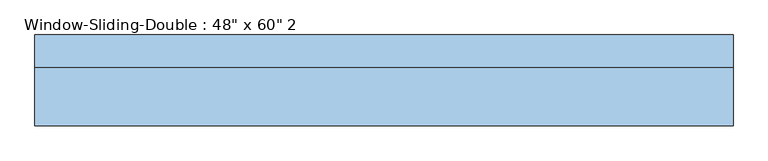
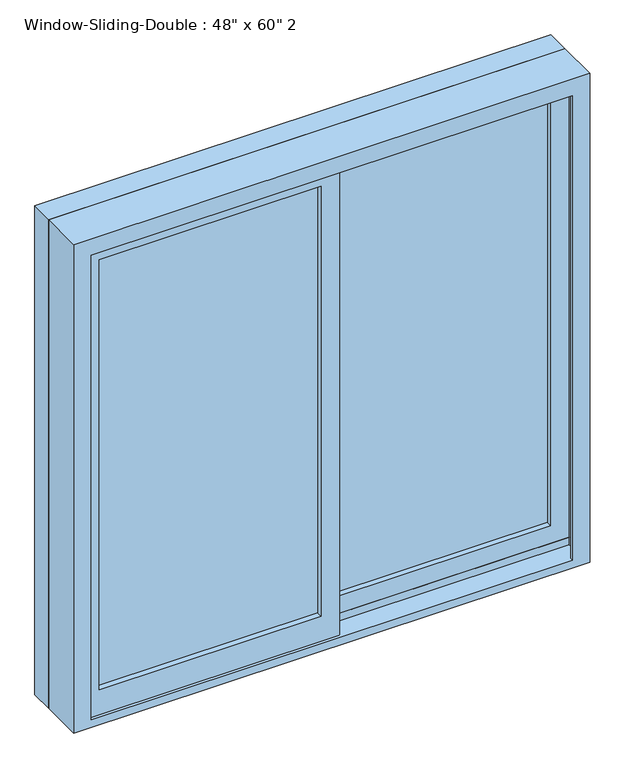
"""IFC4 building model written with IfcOpenShell, lengths in millimetres: window geometry."""

from ifc_helpers import new_model, si_unit, frame, origin, place, context, project, spatial, polyline, outline, extrude, faceted_brep, source, transform, mapped, element, save


def window_be474fe8(model_context):
    return source(origin(), model_context, "Body", "SolidModel", [
        faceted_brep([(-609.6, 16.51, 914.4), (609.6, 16.51, 914.4), (609.6, -85.09, 914.4), (-609.6, -85.09, 914.4), (-568.6778905, -85.09, 2092.6778905), (-568.6778905, -85.09, 933.45), (-568.6778905, -78.74, 933.45), (-568.6778905, -78.74, 2092.6778905), (-590.55, -78.74, 933.45), (-590.55, -78.74, 2114.55), (590.55, -78.74, 2114.55), (590.55, -78.74, 933.45), (568.6778905, -78.74, 933.45), (568.6778905, -78.74, 2092.6778905), (-590.55, -34.29, 933.45), (-590.55, -34.29, 952.5), (-590.55, 10.16, 952.5), (-590.55, 10.16, 933.45), (-590.55, 16.51, 933.45), (-590.55, 16.51, 2114.55), (-609.6, 16.51, 2133.6), (609.6, 16.51, 2133.6), (590.55, 16.51, 2114.55), (590.55, 16.51, 933.45), (-609.6, -85.09, 2133.6), (609.6, -85.09, 2133.6), (568.6778905, -85.09, 2092.6778905), (568.6778905, -85.09, 933.45), (590.55, 10.16, 933.45), (590.55, 10.16, 952.5), (590.55, -34.29, 952.5), (590.55, -34.29, 933.45)], [[[0, 1, 2, 3]], [[4, 5, 6, 7]], [[7, 6, 8, 9, 10, 11, 12, 13]], [[9, 8, 14, 15, 16, 17, 18, 19]], [[0, 20, 21, 1], [22, 19, 18, 23]], [[24, 20, 0, 3]], [[2, 25, 24, 3], [4, 26, 27, 5]], [[7, 13, 26, 4]], [[9, 19, 22, 10]], [[20, 24, 25, 21]], [[13, 12, 27, 26]], [[22, 23, 28, 29, 30, 31, 11, 10]], [[21, 25, 2, 1]], [[27, 12, 11, 31, 14, 8, 6, 5]], [[31, 30, 15, 14]], [[30, 29, 16, 15]], [[29, 28, 17, 16]], [[18, 17, 28, 23]]]),
        extrude(outline(polyline([(2133.6, 609.6), (2133.6, -609.6), (914.4, -609.6), (914.4, 609.6), (2133.6, 609.6)]), holes=[polyline([(2114.55, -590.55), (2114.55, 590.55), (933.45, 590.55), (933.45, -590.55), (2114.55, -590.55)])]), frame((0.0, 16.51, 0.0), z_axis=(0.0, 1.0, 0.0), x_axis=(0.0, 0.0, 1.0)), (0.0, 0.0, 1.0), 57.15),
        extrude(outline(polyline([(546.1, -21.59), (22.225, -21.59), (22.225, -15.24), (546.1, -15.24), (546.1, -21.59)])), frame((0.0, 0.0, 996.95), z_axis=(0.0, 0.0, 1.0), x_axis=(1.0, 0.0, 0.0)), (0.0, 0.0, 1.0), 1073.15),
        extrude(outline(polyline([(546.1, -8.89), (22.225, -8.89), (22.225, -2.54), (546.1, -2.54), (546.1, -8.89)])), frame((0.0, 0.0, 996.95), z_axis=(0.0, 0.0, 1.0), x_axis=(1.0, 0.0, 0.0)), (0.0, 0.0, 1.0), 1073.15),
        extrude(outline(polyline([(-22.225, -66.04), (-546.1, -66.04), (-546.1, -59.69), (-22.225, -59.69), (-22.225, -66.04)])), frame((0.0, 0.0, 996.95), z_axis=(0.0, 0.0, 1.0), x_axis=(1.0, 0.0, 0.0)), (0.0, 0.0, 1.0), 1073.15),
        extrude(outline(polyline([(-22.225, -53.34), (-546.1, -53.34), (-546.1, -46.99), (-22.225, -46.99), (-22.225, -53.34)])), frame((0.0, 0.0, 996.95), z_axis=(0.0, 0.0, 1.0), x_axis=(1.0, 0.0, 0.0)), (0.0, 0.0, 1.0), 1073.15),
        extrude(outline(polyline([(933.45, 22.225), (2114.55, 22.225), (2114.55, -590.55), (933.45, -590.55), (933.45, 22.225)]), holes=[polyline([(2070.1, -546.1), (2070.1, -22.225), (996.95, -22.225), (996.95, -546.1), (2070.1, -546.1)])]), frame((0.0, -78.74, 0.0), z_axis=(0.0, 1.0, 0.0), x_axis=(0.0, 0.0, 1.0)), (0.0, 0.0, 1.0), 44.45),
        extrude(outline(polyline([(952.5, -22.225), (952.5, 590.55), (2114.55, 590.55), (2114.55, -22.225), (952.5, -22.225)]), holes=[polyline([(996.95, 546.1), (996.95, 22.225), (2070.1, 22.225), (2070.1, 546.1), (996.95, 546.1)])]), frame((0.0, -34.29, 0.0), z_axis=(0.0, 1.0, 0.0), x_axis=(0.0, 0.0, 1.0)), (0.0, 0.0, 1.0), 44.45),
    ])


if __name__ == "__main__":
    model = new_model("IFC4")
    model_context = context("Model", 3, world=origin())
    ifc_project = project(units=[si_unit("LENGTHUNIT", "METRE", prefix="MILLI")], contexts=[model_context])
    site = spatial("IfcSite", under=ifc_project)
    building = spatial("IfcBuilding", under=site)
    placement = place(None, origin())
    window_shape = window_be474fe8(model_context)
    element("IfcWindow", 1, ObjectType="Window-Sliding-Double : 48\" x 60\" 2", at=placement, inside=building, context=model_context, shape_type="MappedRepresentation", body=[
        mapped(window_shape, transform((0.0, 0.0, 0.0), x_axis=(1.0, 0.0, 0.0), y_axis=(0.0, 1.0, 0.0), z_axis=(0.0, 0.0, 1.0))),
    ])
    save(model, "model.ifc")
